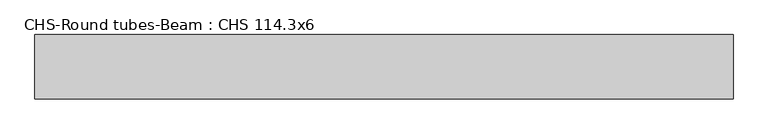
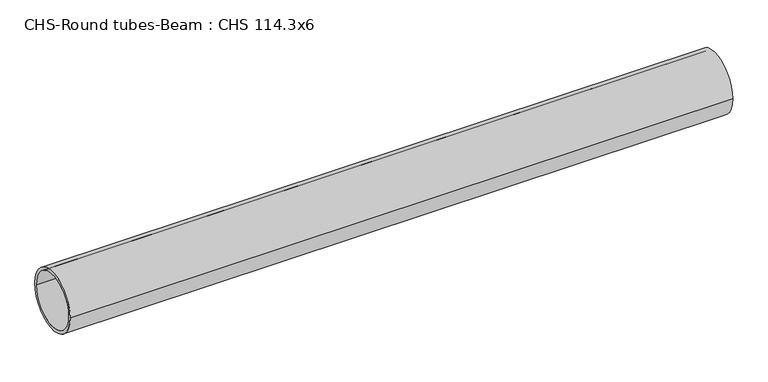
"""IFC4 building model written with IfcOpenShell, lengths in millimetres: beam geometry, CHS-Round tubes-Beam : CHS 114.3x6."""

import ifcopenshell
import ifcopenshell.guid

model = None  # the IFC model being written
_history = None  # IfcOwnerHistory: only IFC2X3 demands one
_inside = {}  # id of a spatial element -> (the spatial element, [elements in it])
_under = {}  # id of a project, library or spatial element -> (it, [spatial elements below it])
_declared = {}  # id of a project -> (the project, [libraries it declares])
_typed = {}  # id of a type object -> (the type object, [elements of that type])
_made_of = {}  # id of a material, layer set ... -> (it, [elements and type objects made of it])


def new_model(schema):
    """Start an empty IFC model of exactly this schema.

    Asked for "IFC4X3", IfcOpenShell would pick the latest addendum, in which some entities
    have other attributes; the version numbers below select the first issue.
    IFC2X3 requires an IfcOwnerHistory on every rooted entity: one is made here for all.
    """
    global model, _history
    if schema == "IFC4X3":
        model = ifcopenshell.file(schema_version=(4, 3, 0, 0))
    else:
        model = ifcopenshell.file(schema=schema)
    _inside.clear()
    _under.clear()
    _declared.clear()
    _typed.clear()
    _made_of.clear()
    _history = None
    if model.schema == "IFC2X3":
        org = make("IfcOrganization", Name="unknown")
        user = make(
            "IfcPersonAndOrganization",
            ThePerson=make("IfcPerson", FamilyName="unknown"),
            TheOrganization=org,
        )
        app = make(
            "IfcApplication",
            ApplicationDeveloper=org,
            Version="unknown",
            ApplicationFullName="unknown",
            ApplicationIdentifier="unknown",
        )
        _history = make(
            "IfcOwnerHistory",
            OwningUser=user,
            OwningApplication=app,
            ChangeAction="ADDED",
            CreationDate=0,
        )
    return model


def make(cls, **values):
    """One entity of the class cls with the attributes given. An attribute that is None is left unset."""
    return model.create_entity(
        cls, **{name: value for name, value in values.items() if value is not None}
    )


def rooted(cls, **values):
    """An entity with a GlobalId (a new one), such as an element, a storey or a relation."""
    return make(cls, GlobalId=ifcopenshell.guid.new(), OwnerHistory=_history, **values)


def si_unit(unit_type, name, prefix=None):
    """IfcSIUnit, for example si_unit("LENGTHUNIT", "METRE", prefix="MILLI")."""
    return make("IfcSIUnit", UnitType=unit_type, Prefix=prefix, Name=name)


def assignment(units):
    """IfcUnitAssignment: the units of a project."""
    return None if units is None else make("IfcUnitAssignment", Units=units)


def point(xyz):
    """IfcCartesianPoint."""
    return None if xyz is None else make("IfcCartesianPoint", Coordinates=xyz)


def direction(xyz):
    """IfcDirection."""
    return None if xyz is None else make("IfcDirection", DirectionRatios=xyz)


def frame(location, z_axis=None, x_axis=None):
    """IfcAxis2Placement3D, a coordinate frame: its origin and axes. An axis left out is left unset."""
    return make(
        "IfcAxis2Placement3D",
        Location=point(location),
        Axis=direction(z_axis),
        RefDirection=direction(x_axis),
    )


def frame_2d(location, x_axis=None):
    """IfcAxis2Placement2D, a coordinate frame in the plane: its origin and x axis."""
    return make(
        "IfcAxis2Placement2D", Location=point(location), RefDirection=direction(x_axis)
    )


def origin():
    """The frame at (0, 0, 0) with its axes left unset."""
    return frame((0.0, 0.0, 0.0))


def origin_2d():
    """The frame at (0, 0) in the plane with its x axis left unset."""
    return frame_2d((0.0, 0.0))


def place(relative_to, where):
    """IfcLocalPlacement: puts the frame where relative to a parent placement (None: the world)."""
    return make(
        "IfcLocalPlacement", PlacementRelTo=relative_to, RelativePlacement=where
    )


def context(
    kind, dimensions, precision=None, world=None, true_north=None, identifier=None
):
    """IfcGeometricRepresentationContext, for example the 3D "Model" context."""
    return make(
        "IfcGeometricRepresentationContext",
        ContextIdentifier=identifier,
        ContextType=kind,
        CoordinateSpaceDimension=dimensions,
        Precision=precision,
        WorldCoordinateSystem=world,
        TrueNorth=true_north,
    )


def project(units=None, contexts=None):
    """IfcProject with its units and contexts."""
    return rooted(
        "IfcProject",
        Name="project",
        RepresentationContexts=contexts,
        UnitsInContext=assignment(units),
    )


def spatial(cls, under=None, at=None, **own):
    """A site, building, storey or space (cls), placed at a placement, below another one or the project."""
    s = rooted(cls, ObjectPlacement=at, **own)
    if under is not None:
        _under.setdefault(under.id(), (under, []))[1].append(s)
    return s


def circle_curve(where, radius):
    """IfcCircle in the frame where."""
    return make("IfcCircle", Position=where, Radius=radius)


def trimmed(basis, trim1, trim2, sense, master):
    """IfcTrimmedCurve: the piece of a basis curve between two trims."""
    return make(
        "IfcTrimmedCurve",
        BasisCurve=basis,
        Trim1=trim1,
        Trim2=trim2,
        SenseAgreement=sense,
        MasterRepresentation=master,
    )


def segment(curve, same_sense, transition):
    """IfcCompositeCurveSegment."""
    return make(
        "IfcCompositeCurveSegment",
        Transition=transition,
        SameSense=same_sense,
        ParentCurve=curve,
    )


def composite_curve(segments, self_intersect=None):
    """IfcCompositeCurve: segments joined end to end."""
    return make("IfcCompositeCurve", Segments=segments, SelfIntersect=self_intersect)


def outline(outer, holes=None, kind="AREA"):
    """IfcArbitraryClosedProfileDef: a profile drawn as a closed curve; with holes, ...WithVoids."""
    if holes is None:
        return make("IfcArbitraryClosedProfileDef", ProfileType=kind, OuterCurve=outer)
    return make(
        "IfcArbitraryProfileDefWithVoids",
        ProfileType=kind,
        OuterCurve=outer,
        InnerCurves=holes,
    )


def extrude(swept, where, along, depth):
    """IfcExtrudedAreaSolid: the profile swept, set in the frame where, extruded along a direction by depth."""
    return make(
        "IfcExtrudedAreaSolid",
        SweptArea=swept,
        Position=where,
        ExtrudedDirection=direction(along),
        Depth=depth,
    )


def shape(context_of_items, identifier, shape_type, items):
    """IfcShapeRepresentation: the items that make up one representation, for example the "Body"."""
    return make(
        "IfcShapeRepresentation",
        ContextOfItems=context_of_items,
        RepresentationIdentifier=identifier,
        RepresentationType=shape_type,
        Items=items,
    )


def source(mapping_origin, context_of_items, identifier, shape_type, items):
    """IfcRepresentationMap: a shape defined once, which mapped items show again and again."""
    return make(
        "IfcRepresentationMap",
        MappingOrigin=mapping_origin,
        MappedRepresentation=shape(context_of_items, identifier, shape_type, items),
    )


def transform(
    local_origin,
    x_axis=None,
    y_axis=None,
    z_axis=None,
    scale=None,
    scale2=None,
    scale3=None,
    uniform=True,
):
    """IfcCartesianTransformationOperator3D, or its non-uniform kind. x_axis, y_axis, z_axis: its Axis1, 2, 3."""
    if uniform:
        return make(
            "IfcCartesianTransformationOperator3D",
            Axis1=direction(x_axis),
            Axis2=direction(y_axis),
            LocalOrigin=point(local_origin),
            Scale=scale,
            Axis3=direction(z_axis),
        )
    return make(
        "IfcCartesianTransformationOperator3DnonUniform",
        Axis1=direction(x_axis),
        Axis2=direction(y_axis),
        LocalOrigin=point(local_origin),
        Scale=scale,
        Axis3=direction(z_axis),
        Scale2=scale2,
        Scale3=scale3,
    )


def mapped(mapping_source, mapping_target):
    """IfcMappedItem: shows the shape of a source again, moved by a transform."""
    return make(
        "IfcMappedItem", MappingSource=mapping_source, MappingTarget=mapping_target
    )


def made_of(thing, what):
    """Note that an element or type object is made of a material, layer set ...; save() writes the relation."""
    if what is not None:
        _made_of.setdefault(what.id(), (what, []))[1].append(thing)
    return thing


def element(
    cls,
    number,
    at=None,
    inside=None,
    cuts=None,
    type_object=None,
    material=None,
    context=None,
    identifier="Body",
    shape_type=None,
    held_by="IfcProductDefinitionShape",
    body=None,
    shapes=None,
    **own,
):
    """One element of the class cls, such as IfcWall. Its Tag is "e" and its number.

    at: its placement. inside: the storey or other place that contains it. cuts: it is an
    opening in that element (IfcRelVoidsElement). A single representation is given by context,
    identifier, shape_type and body (its items); several are given by shapes. held_by: the class
    of the entity that holds the representations. save() writes the other relations.
    """
    e = rooted(cls, Tag="e%d" % number, ObjectPlacement=at, **own)
    if body is not None:
        shapes = [shape(context, identifier, shape_type, body)]
    if shapes is not None:
        e.Representation = make(held_by, Representations=shapes)
    if inside is not None:
        _inside.setdefault(inside.id(), (inside, []))[1].append(e)
    if cuts is not None:
        rooted(
            "IfcRelVoidsElement", RelatingBuildingElement=cuts, RelatedOpeningElement=e
        )
    if type_object is not None:
        _typed.setdefault(type_object.id(), (type_object, []))[1].append(e)
    return made_of(e, material)


def aggregate(whole, parts):
    """IfcRelAggregates: a whole, such as a stair, and the parts it consists of."""
    return rooted("IfcRelAggregates", RelatingObject=whole, RelatedObjects=parts)


def save(model, path):
    """Write the relations noted so far, then the file.

    IfcRelAggregates (storeys below a building ...), IfcRelContainedInSpatialStructure (elements
    in a storey), IfcRelDefinesByType, IfcRelAssociatesMaterial and IfcRelDeclares: one each for
    every whole, place, type object, material and project.
    """
    for whole, parts in _under.values():
        aggregate(whole, parts)
    for where, things in _inside.values():
        rooted(
            "IfcRelContainedInSpatialStructure",
            RelatedElements=things,
            RelatingStructure=where,
        )
    for kind, things in _typed.values():
        rooted("IfcRelDefinesByType", RelatedObjects=things, RelatingType=kind)
    for what, things in _made_of.values():
        rooted("IfcRelAssociatesMaterial", RelatedObjects=things, RelatingMaterial=what)
    for by, libraries in _declared.values():
        rooted("IfcRelDeclares", RelatingContext=by, RelatedDefinitions=libraries)
    model.write(path)


def chs_round_tubes_beam_chs_114_3x6_1bc866fd(model_context):
    return source(origin(), model_context, "Body", "SweptSolid", [
        extrude(outline(composite_curve([segment(trimmed(circle_curve(origin_2d(), 57.15), [point((57.15, 0.0))], [point((-57.15, 0.0))], False, "CARTESIAN"), True, "CONTINUOUS"), segment(trimmed(circle_curve(origin_2d(), 57.15), [point((-57.15, 0.0))], [point((57.15, 0.0))], False, "CARTESIAN"), True, "CONTINUOUS")], self_intersect=False), holes=[composite_curve([segment(trimmed(circle_curve(origin_2d(), 51.15), [point((51.15, 0.0))], [point((-51.15, 0.0))], True, "CARTESIAN"), True, "CONTINUOUS"), segment(trimmed(circle_curve(origin_2d(), 51.15), [point((-51.15, 0.0))], [point((51.15, 0.0))], True, "CARTESIAN"), True, "CONTINUOUS")], self_intersect=False)]), frame((-617.200195, 0.0, 0.0), z_axis=(1.0, 0.0, 0.0), x_axis=(0.0, 1.0, 0.0)), (0.0, 0.0, 1.0), 1237.2448816),
    ])


if __name__ == "__main__":
    model = new_model("IFC4")
    model_context = context("Model", 3, world=origin())
    ifc_project = project(units=[si_unit("LENGTHUNIT", "METRE", prefix="MILLI")], contexts=[model_context])
    site = spatial("IfcSite", under=ifc_project)
    building = spatial("IfcBuilding", under=site)
    placement = place(None, origin())
    chs_round_tubes_beam_chs_114_3x6_shape = chs_round_tubes_beam_chs_114_3x6_1bc866fd(model_context)
    element("IfcBeam", 1, ObjectType="CHS-Round tubes-Beam : CHS 114.3x6", at=placement, inside=building, context=model_context, shape_type="MappedRepresentation", body=[
        mapped(chs_round_tubes_beam_chs_114_3x6_shape, transform((0.0, 0.0, 0.0), x_axis=(1.0, 0.0, 0.0), y_axis=(0.0, 1.0, 0.0), z_axis=(0.0, 0.0, 1.0))),
    ])
    save(model, "model.ifc")
